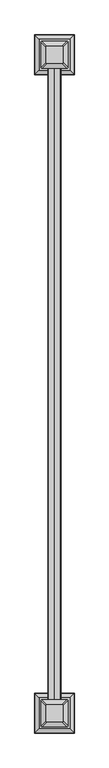
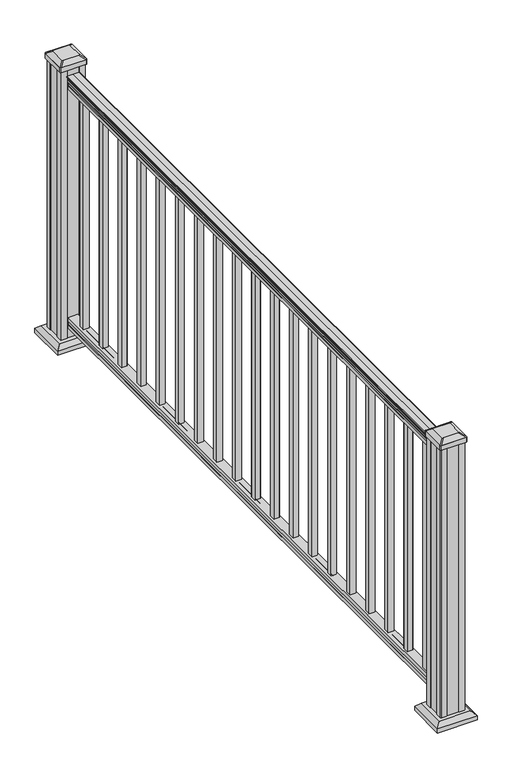
"""IFC4 building model written with IfcOpenShell, lengths in millimetres: railing geometry."""

from ifc_helpers import new_model, si_unit, point, frame, frame_2d, origin, origin_with_axes, place, context, project, spatial, polyline, circle_curve, trimmed, segment, composite_curve, outline, extrude, faceted_brep, source, transform, mapped, element, save
from ifc_brep_helpers import plane_surface, extruded_surface, advanced_brep


def railing_6f81d556(model_context):
    return source(origin(), model_context, "Body", "SolidModel", [
        extrude(outline(composite_curve([segment(trimmed(circle_curve(frame_2d((938.4043297, 343.6427824)), 1.2869144), [point((938.4043297, 342.3558681))], [point((938.4043297, 344.9296968))], False, "CARTESIAN"), True, "CONTINUOUS"), segment(polyline([(938.4043297, 344.9296968), (927.747013, 344.9296968), (926.731013, 343.9136968), (914.4, 343.9136968), (914.4, 375.6636968), (926.8888283, 375.6636968), (927.9048283, 374.6476968), (938.4043297, 374.6476968)]), True, "CONTINUOUS"), segment(trimmed(circle_curve(frame_2d((938.4043297, 375.9346112)), 1.2869144), [point((938.4043297, 374.6476968))], [point((938.4043297, 377.2215255))], False, "CARTESIAN"), True, "CONTINUOUS"), segment(polyline([(938.4043297, 377.2215255), (940.292412, 377.2215255)]), True, "CONTINUOUS"), segment(trimmed(circle_curve(frame_2d((946.0506383, 370.9067723)), 8.545951), [point((940.292412, 377.2215255))], [point((941.8546695, 378.3517118))], False, "CARTESIAN"), True, "CONTINUOUS"), segment(trimmed(circle_curve(frame_2d((945.4636577, 371.3438352)), 7.882584), [point((941.8546695, 378.3517118))], [point((949.0726458, 378.3517118))], False, "CARTESIAN"), True, "CONTINUOUS"), segment(trimmed(circle_curve(frame_2d((951.3112527, 381.8571594)), 4.1592695), [point((949.0726458, 378.3517118))], [point((951.5060812, 377.7024554))], True, "CARTESIAN"), True, "CONTINUOUS"), segment(trimmed(circle_curve(frame_2d((951.2508864, 383.1444659)), 5.4479907), [point((951.5060812, 377.7024554))], [point((955.8362083, 380.2024554))], True, "CARTESIAN"), True, "CONTINUOUS"), segment(trimmed(circle_curve(frame_2d((955.833395, 381.9113075)), 1.7088543), [point((955.8362083, 380.2024554))], [point((957.5157972, 381.6117979))], True, "CARTESIAN"), True, "CONTINUOUS"), segment(trimmed(circle_curve(frame_2d((958.6205318, 380.2944074)), 1.7192895), [point((957.5157972, 381.6117979))], [point((958.6205318, 382.0136969))], False, "CARTESIAN"), True, "CONTINUOUS"), segment(polyline([(958.6205318, 382.0136969), (959.9608158, 382.0136968)]), True, "CONTINUOUS"), segment(trimmed(circle_curve(frame_2d((959.9608158, 380.4602496)), 1.5534472), [point((959.9608158, 382.0136968))], [point((961.514263, 380.4602496))], False, "CARTESIAN"), True, "CONTINUOUS"), segment(polyline([(961.514263, 380.4602496), (961.514263, 359.7886968), (961.514263, 339.117144)]), True, "CONTINUOUS"), segment(trimmed(circle_curve(frame_2d((959.9608158, 339.117144)), 1.5534472), [point((961.514263, 339.117144))], [point((959.9608158, 337.5636968))], False, "CARTESIAN"), True, "CONTINUOUS"), segment(polyline([(959.9608158, 337.5636968), (958.6205318, 337.5636968)]), True, "CONTINUOUS"), segment(trimmed(circle_curve(frame_2d((958.6205318, 339.2829862)), 1.7192895), [point((958.6205318, 337.5636968))], [point((957.5157972, 337.9655957))], False, "CARTESIAN"), True, "CONTINUOUS"), segment(trimmed(circle_curve(frame_2d((955.833395, 337.6660861)), 1.7088543), [point((957.5157972, 337.9655957))], [point((955.8362083, 339.3749382))], True, "CARTESIAN"), True, "CONTINUOUS"), segment(trimmed(circle_curve(frame_2d((951.2508864, 336.4329277)), 5.4479907), [point((955.8362083, 339.3749382))], [point((951.5060812, 341.8749382))], True, "CARTESIAN"), True, "CONTINUOUS"), segment(trimmed(circle_curve(frame_2d((951.3112527, 337.7202343)), 4.1592695), [point((951.5060812, 341.8749382))], [point((949.0726458, 341.2256818))], True, "CARTESIAN"), True, "CONTINUOUS"), segment(trimmed(circle_curve(frame_2d((945.4636577, 348.2335584)), 7.882584), [point((949.0726458, 341.2256818))], [point((941.8546695, 341.2256818))], False, "CARTESIAN"), True, "CONTINUOUS"), segment(trimmed(circle_curve(frame_2d((946.0506383, 348.6706214)), 8.545951), [point((941.8546695, 341.2256818))], [point((940.292412, 342.3558681))], False, "CARTESIAN"), True, "CONTINUOUS"), segment(polyline([(940.292412, 342.3558681), (938.4043297, 342.3558681)]), True, "CONTINUOUS")], self_intersect=False)), frame((0.0, 2144.3647067, 0.0), z_axis=(0.0, 1.0, 0.0), x_axis=(0.0, 0.0, 1.0)), (0.0, 0.0, 1.0), 2133.6),
        extrude(outline(polyline([(76.0541976, 343.8762099), (63.5, 343.8762099), (63.5, 375.6262099), (76.0375508, 375.6262099), (77.3858283, 374.6102099), (87.6975248, 374.6102099), (89.0458024, 375.6262099), (101.5958781, 375.6262099), (101.5958781, 343.8762099), (89.0624492, 343.8762099), (87.7141717, 344.8922099), (77.3546183, 344.8922099), (76.0541976, 343.8762099)])), frame((0.0, 2144.3647067, 0.0), z_axis=(0.0, 1.0, 0.0), x_axis=(0.0, 0.0, 1.0)), (0.0, 0.0, 1.0), 2133.6),
        extrude(outline(polyline([(350.2636968, 4201.7647067), (350.2636968, 4220.8147067), (369.3136968, 4220.8147067), (369.3136968, 4201.7647067), (350.2636968, 4201.7647067)]), holes=[polyline([(350.6605718, 4202.1615817), (368.9168218, 4202.1615817), (368.9168218, 4220.4178317), (350.6605718, 4220.4178317), (350.6605718, 4202.1615817)])]), frame((0.0, 0.0, 101.5958781), z_axis=(0.0, 0.0, 1.0), x_axis=(1.0, 0.0, 0.0)), (0.0, 0.0, 1.0), 812.8041219),
        extrude(outline(polyline([(350.2636968, 4090.6397067), (350.2636968, 4109.6897067), (369.3136968, 4109.6897067), (369.3136968, 4090.6397067), (350.2636968, 4090.6397067)]), holes=[polyline([(350.6605718, 4091.0365817), (368.9168218, 4091.0365817), (368.9168218, 4109.2928317), (350.6605718, 4109.2928317), (350.6605718, 4091.0365817)])]), frame((0.0, 0.0, 101.5958781), z_axis=(0.0, 0.0, 1.0), x_axis=(1.0, 0.0, 0.0)), (0.0, 0.0, 1.0), 812.8041219),
        extrude(outline(polyline([(350.2636968, 3979.5147067), (350.2636968, 3998.5647067), (369.3136968, 3998.5647067), (369.3136968, 3979.5147067), (350.2636968, 3979.5147067)]), holes=[polyline([(350.6605718, 3979.9115817), (368.9168218, 3979.9115817), (368.9168218, 3998.1678317), (350.6605718, 3998.1678317), (350.6605718, 3979.9115817)])]), frame((0.0, 0.0, 101.5958781), z_axis=(0.0, 0.0, 1.0), x_axis=(1.0, 0.0, 0.0)), (0.0, 0.0, 1.0), 812.8041219),
        extrude(outline(polyline([(350.2636968, 3868.3897067), (350.2636968, 3887.4397067), (369.3136968, 3887.4397067), (369.3136968, 3868.3897067), (350.2636968, 3868.3897067)]), holes=[polyline([(350.6605718, 3868.7865817), (368.9168218, 3868.7865817), (368.9168218, 3887.0428317), (350.6605718, 3887.0428317), (350.6605718, 3868.7865817)])]), frame((0.0, 0.0, 101.5958781), z_axis=(0.0, 0.0, 1.0), x_axis=(1.0, 0.0, 0.0)), (0.0, 0.0, 1.0), 812.8041219),
        extrude(outline(polyline([(350.2636968, 3757.2647067), (350.2636968, 3776.3147067), (369.3136968, 3776.3147067), (369.3136968, 3757.2647067), (350.2636968, 3757.2647067)]), holes=[polyline([(350.6605718, 3757.6615817), (368.9168218, 3757.6615817), (368.9168218, 3775.9178317), (350.6605718, 3775.9178317), (350.6605718, 3757.6615817)])]), frame((0.0, 0.0, 101.5958781), z_axis=(0.0, 0.0, 1.0), x_axis=(1.0, 0.0, 0.0)), (0.0, 0.0, 1.0), 812.8041219),
        extrude(outline(polyline([(350.2636968, 3646.1397067), (350.2636968, 3665.1897067), (369.3136968, 3665.1897067), (369.3136968, 3646.1397067), (350.2636968, 3646.1397067)]), holes=[polyline([(350.6605718, 3646.5365817), (368.9168218, 3646.5365817), (368.9168218, 3664.7928317), (350.6605718, 3664.7928317), (350.6605718, 3646.5365817)])]), frame((0.0, 0.0, 101.5958781), z_axis=(0.0, 0.0, 1.0), x_axis=(1.0, 0.0, 0.0)), (0.0, 0.0, 1.0), 812.8041219),
        extrude(outline(polyline([(350.2636968, 3535.0147067), (350.2636968, 3554.0647067), (369.3136968, 3554.0647067), (369.3136968, 3535.0147067), (350.2636968, 3535.0147067)]), holes=[polyline([(350.6605718, 3535.4115817), (368.9168218, 3535.4115817), (368.9168218, 3553.6678317), (350.6605718, 3553.6678317), (350.6605718, 3535.4115817)])]), frame((0.0, 0.0, 101.5958781), z_axis=(0.0, 0.0, 1.0), x_axis=(1.0, 0.0, 0.0)), (0.0, 0.0, 1.0), 812.8041219),
        extrude(outline(polyline([(350.2636968, 3423.8897067), (350.2636968, 3442.9397067), (369.3136968, 3442.9397067), (369.3136968, 3423.8897067), (350.2636968, 3423.8897067)]), holes=[polyline([(350.6605718, 3424.2865817), (368.9168218, 3424.2865817), (368.9168218, 3442.5428317), (350.6605718, 3442.5428317), (350.6605718, 3424.2865817)])]), frame((0.0, 0.0, 101.5958781), z_axis=(0.0, 0.0, 1.0), x_axis=(1.0, 0.0, 0.0)), (0.0, 0.0, 1.0), 812.8041219),
        extrude(outline(polyline([(350.2636968, 3312.7647067), (350.2636968, 3331.8147067), (369.3136968, 3331.8147067), (369.3136968, 3312.7647067), (350.2636968, 3312.7647067)]), holes=[polyline([(350.6605718, 3313.1615817), (368.9168218, 3313.1615817), (368.9168218, 3331.4178317), (350.6605718, 3331.4178317), (350.6605718, 3313.1615817)])]), frame((0.0, 0.0, 101.5958781), z_axis=(0.0, 0.0, 1.0), x_axis=(1.0, 0.0, 0.0)), (0.0, 0.0, 1.0), 812.8041219),
        extrude(outline(polyline([(350.2636968, 3201.6397067), (350.2636968, 3220.6897067), (369.3136968, 3220.6897067), (369.3136968, 3201.6397067), (350.2636968, 3201.6397067)]), holes=[polyline([(350.6605718, 3202.0365817), (368.9168218, 3202.0365817), (368.9168218, 3220.2928317), (350.6605718, 3220.2928317), (350.6605718, 3202.0365817)])]), frame((0.0, 0.0, 101.5958781), z_axis=(0.0, 0.0, 1.0), x_axis=(1.0, 0.0, 0.0)), (0.0, 0.0, 1.0), 812.8041219),
        extrude(outline(polyline([(350.2636968, 3090.5147067), (350.2636968, 3109.5647067), (369.3136968, 3109.5647067), (369.3136968, 3090.5147067), (350.2636968, 3090.5147067)]), holes=[polyline([(350.6605718, 3090.9115817), (368.9168218, 3090.9115817), (368.9168218, 3109.1678317), (350.6605718, 3109.1678317), (350.6605718, 3090.9115817)])]), frame((0.0, 0.0, 101.5958781), z_axis=(0.0, 0.0, 1.0), x_axis=(1.0, 0.0, 0.0)), (0.0, 0.0, 1.0), 812.8041219),
        extrude(outline(polyline([(350.2636968, 2979.3897067), (350.2636968, 2998.4397067), (369.3136968, 2998.4397067), (369.3136968, 2979.3897067), (350.2636968, 2979.3897067)]), holes=[polyline([(350.6605718, 2979.7865817), (368.9168218, 2979.7865817), (368.9168218, 2998.0428317), (350.6605718, 2998.0428317), (350.6605718, 2979.7865817)])]), frame((0.0, 0.0, 101.5958781), z_axis=(0.0, 0.0, 1.0), x_axis=(1.0, 0.0, 0.0)), (0.0, 0.0, 1.0), 812.8041219),
        extrude(outline(polyline([(350.2636968, 2868.2647067), (350.2636968, 2887.3147067), (369.3136968, 2887.3147067), (369.3136968, 2868.2647067), (350.2636968, 2868.2647067)]), holes=[polyline([(350.6605718, 2868.6615817), (368.9168218, 2868.6615817), (368.9168218, 2886.9178317), (350.6605718, 2886.9178317), (350.6605718, 2868.6615817)])]), frame((0.0, 0.0, 101.5958781), z_axis=(0.0, 0.0, 1.0), x_axis=(1.0, 0.0, 0.0)), (0.0, 0.0, 1.0), 812.8041219),
        extrude(outline(polyline([(350.2636968, 2757.1397067), (350.2636968, 2776.1897067), (369.3136968, 2776.1897067), (369.3136968, 2757.1397067), (350.2636968, 2757.1397067)]), holes=[polyline([(350.6605718, 2757.5365817), (368.9168218, 2757.5365817), (368.9168218, 2775.7928317), (350.6605718, 2775.7928317), (350.6605718, 2757.5365817)])]), frame((0.0, 0.0, 101.5958781), z_axis=(0.0, 0.0, 1.0), x_axis=(1.0, 0.0, 0.0)), (0.0, 0.0, 1.0), 812.8041219),
        extrude(outline(polyline([(350.2636968, 2646.0147067), (350.2636968, 2665.0647067), (369.3136968, 2665.0647067), (369.3136968, 2646.0147067), (350.2636968, 2646.0147067)]), holes=[polyline([(350.6605718, 2646.4115817), (368.9168218, 2646.4115817), (368.9168218, 2664.6678317), (350.6605718, 2664.6678317), (350.6605718, 2646.4115817)])]), frame((0.0, 0.0, 101.5958781), z_axis=(0.0, 0.0, 1.0), x_axis=(1.0, 0.0, 0.0)), (0.0, 0.0, 1.0), 812.8041219),
        extrude(outline(polyline([(350.2636968, 2534.8897067), (350.2636968, 2553.9397067), (369.3136968, 2553.9397067), (369.3136968, 2534.8897067), (350.2636968, 2534.8897067)]), holes=[polyline([(350.6605718, 2535.2865817), (368.9168218, 2535.2865817), (368.9168218, 2553.5428317), (350.6605718, 2553.5428317), (350.6605718, 2535.2865817)])]), frame((0.0, 0.0, 101.5958781), z_axis=(0.0, 0.0, 1.0), x_axis=(1.0, 0.0, 0.0)), (0.0, 0.0, 1.0), 812.8041219),
        extrude(outline(polyline([(350.2636968, 2423.7647067), (350.2636968, 2442.8147067), (369.3136968, 2442.8147067), (369.3136968, 2423.7647067), (350.2636968, 2423.7647067)]), holes=[polyline([(350.6605718, 2424.1615817), (368.9168218, 2424.1615817), (368.9168218, 2442.4178317), (350.6605718, 2442.4178317), (350.6605718, 2424.1615817)])]), frame((0.0, 0.0, 101.5958781), z_axis=(0.0, 0.0, 1.0), x_axis=(1.0, 0.0, 0.0)), (0.0, 0.0, 1.0), 812.8041219),
        extrude(outline(polyline([(350.2636968, 2312.6397067), (350.2636968, 2331.6897067), (369.3136968, 2331.6897067), (369.3136968, 2312.6397067), (350.2636968, 2312.6397067)]), holes=[polyline([(350.6605718, 2313.0365817), (368.9168218, 2313.0365817), (368.9168218, 2331.2928317), (350.6605718, 2331.2928317), (350.6605718, 2313.0365817)])]), frame((0.0, 0.0, 101.5958781), z_axis=(0.0, 0.0, 1.0), x_axis=(1.0, 0.0, 0.0)), (0.0, 0.0, 1.0), 812.8041219),
        extrude(outline(polyline([(350.2636968, 2201.5147067), (350.2636968, 2220.5647067), (369.3136968, 2220.5647067), (369.3136968, 2201.5147067), (350.2636968, 2201.5147067)]), holes=[polyline([(350.6605718, 2201.9115817), (368.9168218, 2201.9115817), (368.9168218, 2220.1678317), (350.6605718, 2220.1678317), (350.6605718, 2201.9115817)])]), frame((0.0, 0.0, 101.5958781), z_axis=(0.0, 0.0, 1.0), x_axis=(1.0, 0.0, 0.0)), (0.0, 0.0, 1.0), 812.8041219),
        faceted_brep([(307.2027593, 4266.6537692, 28.575), (412.3746343, 4266.6537692, 28.575), (412.3746343, 4371.8256442, 28.575), (307.2027593, 4371.8256442, 28.575), (293.1633062, 4252.6143161, 15.24), (293.1633062, 4385.8650974, 15.24), (426.4140874, 4385.8650974, 15.24), (426.4140874, 4252.6143161, 15.24)], [[[0, 1, 2, 3]], [[4, 5, 6, 7]], [[4, 7, 1, 0]], [[7, 6, 2, 1]], [[6, 5, 3, 2]], [[5, 4, 0, 3]]]),
        extrude(outline(polyline([(293.1633062, 4252.6143161), (293.1633062, 4385.8650974), (426.4140874, 4385.8650974), (426.4140874, 4252.6143161), (293.1633062, 4252.6143161)])), origin_with_axes(), (0.0, 0.0, 1.0), 15.24),
        advanced_brep(
        [(385.5855718, 4290.2678317, 1012.825), (388.7605718, 4293.4428317, 1012.825), (388.7605718, 4345.0365817, 1012.825), (385.5855718, 4348.2115817, 1012.825), (333.9918218, 4348.2115817, 1012.825), (330.8168218, 4345.0365817, 1012.825), (330.8168218, 4293.4428317, 1012.825), (333.9918218, 4290.2678317, 1012.825), (401.8574468, 4273.9959567, 1001.522), (317.7199468, 4273.9959567, 1001.522), (314.5449468, 4277.1709567, 1001.522), (314.5449468, 4361.3084567, 1001.522), (317.7199468, 4364.4834567, 1001.522), (401.8574468, 4364.4834567, 1001.522), (405.0324468, 4361.3084567, 1001.522), (405.0324468, 4277.1709567, 1001.522)],
        [
            (0, 1, circle_curve(frame((385.5855718, 4293.4428317, 1012.825), z_axis=(0.0, 0.0, 1.0), x_axis=(0.0, 1.0, 0.0)), 3.175)),
            (1, 2),
            (2, 3, circle_curve(frame((385.5855718, 4345.0365817, 1012.825), z_axis=(0.0, 0.0, 1.0), x_axis=(0.0, 1.0, 0.0)), 3.175)),
            (3, 4),
            (4, 5, circle_curve(frame((333.9918218, 4345.0365817, 1012.825), z_axis=(0.0, 0.0, 1.0), x_axis=(0.0, 1.0, 0.0)), 3.175)),
            (5, 6),
            (6, 7, circle_curve(frame((333.9918218, 4293.4428317, 1012.825), z_axis=(0.0, 0.0, 1.0), x_axis=(0.0, 1.0, 0.0)), 3.175)),
            (7, 0),
            (8, 9),
            (9, 10, circle_curve(frame((317.7199468, 4277.1709567, 1001.522), z_axis=(0.0, 0.0, -1.0), x_axis=(0.0, 1.0, 0.0)), 3.175)),
            (10, 11),
            (11, 12, circle_curve(frame((317.7199468, 4361.3084567, 1001.522), z_axis=(0.0, 0.0, -1.0), x_axis=(0.0, 1.0, 0.0)), 3.175)),
            (12, 13),
            (13, 14, circle_curve(frame((401.8574468, 4361.3084567, 1001.522), z_axis=(0.0, 0.0, -1.0), x_axis=(0.0, 1.0, 0.0)), 3.175)),
            (14, 15),
            (15, 8, circle_curve(frame((401.8574468, 4277.1709567, 1001.522), z_axis=(0.0, 0.0, -1.0), x_axis=(0.0, 1.0, 0.0)), 3.175)),
            (15, 1),
            (0, 8),
            (14, 2),
            (13, 3),
            (12, 4),
            (11, 5),
            (10, 6),
            (9, 7),
        ],
        [
            plane_surface(frame((359.7886968, 4319.2397067, 1012.825), z_axis=(0.0, 0.0, 1.0), x_axis=(1.0, 0.0, 0.0))),
            plane_surface(frame((359.7886968, 4319.2397067, 1001.522), z_axis=(0.0, 0.0, -1.0), x_axis=(1.0, 0.0, 0.0))),
            extruded_surface(trimmed(circle_curve(frame((401.8574468, 4277.1709567, 1001.522), z_axis=(0.0, 0.0, 1.0), x_axis=(0.0, 1.0, 0.0)), 3.175), [point((401.8574468, 4273.9959567, 1001.522))], [point((405.0324468, 4277.1709567, 1001.522))], True, "CARTESIAN"), (-16.271874999999966, 16.271875000000364, 11.302999999999997), 25.63797263886637),
            plane_surface(frame((405.0324468, 4319.2397067, 1001.522), z_axis=(0.5705009161540779, 0.0, 0.8212969649690408), x_axis=(0.0, 1.0, 0.0))),
            extruded_surface(trimmed(circle_curve(frame((401.8574468, 4361.3084567, 1001.522), z_axis=(0.0, 0.0, 1.0), x_axis=(0.0, 1.0, 0.0)), 3.175), [point((405.0324468, 4361.3084567, 1001.522))], [point((401.8574468, 4364.4834567, 1001.522))], True, "CARTESIAN"), (-16.271874999999966, -16.271874999999454, 11.302999999999997), 25.637972638865794),
            plane_surface(frame((359.7886968, 4364.4834567, 1001.522), z_axis=(0.0, 0.5705009161540291, 0.8212969649690747), x_axis=(-1.0, 0.0, 0.0))),
            extruded_surface(trimmed(circle_curve(frame((317.7199468, 4361.3084567, 1001.522), z_axis=(0.0, 0.0, 1.0), x_axis=(0.0, 1.0, 0.0)), 3.175), [point((317.7199468, 4364.4834567, 1001.522))], [point((314.5449468, 4361.3084567, 1001.522))], True, "CARTESIAN"), (16.271875000000023, -16.271874999999454, 11.302999999999997), 25.63797263886583),
            plane_surface(frame((314.5449468, 4319.2397067, 1001.522), z_axis=(-0.5705009161540141, 0.0, 0.8212969649690851), x_axis=(0.0, -1.0, 0.0))),
            extruded_surface(trimmed(circle_curve(frame((317.7199468, 4277.1709567, 1001.522), z_axis=(0.0, 0.0, 1.0), x_axis=(0.0, 1.0, 0.0)), 3.175), [point((314.5449468, 4277.1709567, 1001.522))], [point((317.7199468, 4273.9959567, 1001.522))], True, "CARTESIAN"), (16.271875000000023, 16.271875000000364, 11.302999999999997), 25.637972638866405),
            plane_surface(frame((359.7886968, 4273.9959567, 1001.522), z_axis=(0.0, -0.570500916154034, 0.8212969649690713), x_axis=(1.0, 0.0, 0.0))),
        ],
        [
            (0, [[1, 2, 3, 4, 5, 6, 7, 8]]),
            (1, [[9, 10, 11, 12, 13, 14, 15, 16]]),
            (2, [[-16, 17, -1, 18]]),
            (3, [[-15, 19, -2, -17]]),
            (4, [[-14, 20, -3, -19]]),
            (5, [[-13, 21, -4, -20]]),
            (6, [[-12, 22, -5, -21]]),
            (7, [[-11, 23, -6, -22]]),
            (8, [[-10, 24, -7, -23]]),
            (9, [[-9, -18, -8, -24]]),
        ],
    ),
        extrude(outline(composite_curve([segment(polyline([(401.8574468, 4273.9959567), (317.7199468, 4273.9959567)]), True, "CONTINUOUS"), segment(trimmed(circle_curve(frame_2d((317.7199468, 4277.1709567)), 3.175), [point((317.7199468, 4273.9959567))], [point((314.5449468, 4277.1709567))], False, "CARTESIAN"), True, "CONTINUOUS"), segment(polyline([(314.5449468, 4277.1709567), (314.5449468, 4361.3084567)]), True, "CONTINUOUS"), segment(trimmed(circle_curve(frame_2d((317.7199468, 4361.3084567)), 3.175), [point((314.5449468, 4361.3084567))], [point((317.7199468, 4364.4834567))], False, "CARTESIAN"), True, "CONTINUOUS"), segment(polyline([(317.7199468, 4364.4834567), (401.8574468, 4364.4834567)]), True, "CONTINUOUS"), segment(trimmed(circle_curve(frame_2d((401.8574468, 4361.3084567)), 3.175), [point((401.8574468, 4364.4834567))], [point((405.0324468, 4361.3084567))], False, "CARTESIAN"), True, "CONTINUOUS"), segment(polyline([(405.0324468, 4361.3084567), (405.0324468, 4277.1709567)]), True, "CONTINUOUS"), segment(trimmed(circle_curve(frame_2d((401.8574468, 4277.1709567)), 3.175), [point((405.0324468, 4277.1709567))], [point((401.8574468, 4273.9959567))], False, "CARTESIAN"), True, "CONTINUOUS")], self_intersect=False)), frame((0.0, 0.0, 984.25), z_axis=(0.0, 0.0, 1.0), x_axis=(1.0, 0.0, 0.0)), (0.0, 0.0, 1.0), 17.272),
        extrude(outline(polyline([(399.4761968, 4277.9647067), (379.8546968, 4277.9647067), (379.0926968, 4279.5522067), (340.4846968, 4279.5522067), (339.7226968, 4277.9647067), (320.1011968, 4277.9647067), (318.5136968, 4279.5522067), (318.5136968, 4299.1737067), (320.1011968, 4299.9357067), (320.1011968, 4338.5437067), (318.5136968, 4339.3057067), (318.5136968, 4358.9272067), (320.1011968, 4360.5147067), (339.7226968, 4360.5147067), (340.4846968, 4358.9272067), (379.0926968, 4358.9272067), (379.8546968, 4360.5147067), (399.4761968, 4360.5147067), (401.0636968, 4358.9272067), (401.0636968, 4339.3057067), (399.4761968, 4338.5437067), (399.4761968, 4299.9357067), (401.0636968, 4299.1737067), (401.0636968, 4279.5522067), (399.4761968, 4277.9647067)])), origin_with_axes(), (0.0, 0.0, 1.0), 984.25),
        faceted_brep([(307.2027593, 2050.5037692, 28.575), (412.3746343, 2050.5037692, 28.575), (412.3746343, 2155.6756442, 28.575), (307.2027593, 2155.6756442, 28.575), (293.1633062, 2036.4643161, 15.24), (293.1633062, 2169.7150974, 15.24), (426.4140874, 2169.7150974, 15.24), (426.4140874, 2036.4643161, 15.24)], [[[0, 1, 2, 3]], [[4, 5, 6, 7]], [[4, 7, 1, 0]], [[7, 6, 2, 1]], [[6, 5, 3, 2]], [[5, 4, 0, 3]]]),
        extrude(outline(polyline([(293.1633062, 2036.4643161), (293.1633062, 2169.7150974), (426.4140874, 2169.7150974), (426.4140874, 2036.4643161), (293.1633062, 2036.4643161)])), origin_with_axes(), (0.0, 0.0, 1.0), 15.24),
        advanced_brep(
        [(385.5855718, 2074.1178317, 1012.825), (388.7605718, 2077.2928317, 1012.825), (388.7605718, 2128.8865817, 1012.825), (385.5855718, 2132.0615817, 1012.825), (333.9918218, 2132.0615817, 1012.825), (330.8168218, 2128.8865817, 1012.825), (330.8168218, 2077.2928317, 1012.825), (333.9918218, 2074.1178317, 1012.825), (401.8574468, 2057.8459567, 1001.522), (317.7199468, 2057.8459567, 1001.522), (314.5449468, 2061.0209567, 1001.522), (314.5449468, 2145.1584567, 1001.522), (317.7199468, 2148.3334567, 1001.522), (401.8574468, 2148.3334567, 1001.522), (405.0324468, 2145.1584567, 1001.522), (405.0324468, 2061.0209567, 1001.522)],
        [
            (0, 1, circle_curve(frame((385.5855718, 2077.2928317, 1012.825), z_axis=(0.0, 0.0, 1.0), x_axis=(0.0, 1.0, 0.0)), 3.175)),
            (1, 2),
            (2, 3, circle_curve(frame((385.5855718, 2128.8865817, 1012.825), z_axis=(0.0, 0.0, 1.0), x_axis=(0.0, 1.0, 0.0)), 3.175)),
            (3, 4),
            (4, 5, circle_curve(frame((333.9918218, 2128.8865817, 1012.825), z_axis=(0.0, 0.0, 1.0), x_axis=(0.0, 1.0, 0.0)), 3.175)),
            (5, 6),
            (6, 7, circle_curve(frame((333.9918218, 2077.2928317, 1012.825), z_axis=(0.0, 0.0, 1.0), x_axis=(0.0, 1.0, 0.0)), 3.175)),
            (7, 0),
            (8, 9),
            (9, 10, circle_curve(frame((317.7199468, 2061.0209567, 1001.522), z_axis=(0.0, 0.0, -1.0), x_axis=(0.0, 1.0, 0.0)), 3.175)),
            (10, 11),
            (11, 12, circle_curve(frame((317.7199468, 2145.1584567, 1001.522), z_axis=(0.0, 0.0, -1.0), x_axis=(0.0, 1.0, 0.0)), 3.175)),
            (12, 13),
            (13, 14, circle_curve(frame((401.8574468, 2145.1584567, 1001.522), z_axis=(0.0, 0.0, -1.0), x_axis=(0.0, 1.0, 0.0)), 3.175)),
            (14, 15),
            (15, 8, circle_curve(frame((401.8574468, 2061.0209567, 1001.522), z_axis=(0.0, 0.0, -1.0), x_axis=(0.0, 1.0, 0.0)), 3.175)),
            (15, 1),
            (0, 8),
            (14, 2),
            (13, 3),
            (12, 4),
            (11, 5),
            (10, 6),
            (9, 7),
        ],
        [
            plane_surface(frame((359.7886968, 2103.0897067, 1012.825), z_axis=(0.0, 0.0, 1.0), x_axis=(1.0, 0.0, 0.0))),
            plane_surface(frame((359.7886968, 2103.0897067, 1001.522), z_axis=(0.0, 0.0, -1.0), x_axis=(1.0, 0.0, 0.0))),
            extruded_surface(trimmed(circle_curve(frame((401.8574468, 2061.0209567, 1001.522), z_axis=(0.0, 0.0, 1.0), x_axis=(0.0, 1.0, 0.0)), 3.175), [point((401.8574468, 2057.8459567, 1001.522))], [point((405.0324468, 2061.0209567, 1001.522))], True, "CARTESIAN"), (-16.271874999999966, 16.27187499999991, 11.302999999999997), 25.63797263886608),
            plane_surface(frame((405.0324468, 2103.0897067, 1001.522), z_axis=(0.5705009161540779, 0.0, 0.8212969649690408), x_axis=(0.0, 1.0, 0.0))),
            extruded_surface(trimmed(circle_curve(frame((401.8574468, 2145.1584567, 1001.522), z_axis=(0.0, 0.0, 1.0), x_axis=(0.0, 1.0, 0.0)), 3.175), [point((405.0324468, 2145.1584567, 1001.522))], [point((401.8574468, 2148.3334567, 1001.522))], True, "CARTESIAN"), (-16.271874999999966, -16.27187499999991, 11.302999999999997), 25.63797263886608),
            plane_surface(frame((359.7886968, 2148.3334567, 1001.522), z_axis=(0.0, 0.5705009161540291, 0.8212969649690747), x_axis=(-1.0, 0.0, 0.0))),
            extruded_surface(trimmed(circle_curve(frame((317.7199468, 2145.1584567, 1001.522), z_axis=(0.0, 0.0, 1.0), x_axis=(0.0, 1.0, 0.0)), 3.175), [point((317.7199468, 2148.3334567, 1001.522))], [point((314.5449468, 2145.1584567, 1001.522))], True, "CARTESIAN"), (16.271875000000023, -16.27187499999991, 11.302999999999997), 25.637972638866117),
            plane_surface(frame((314.5449468, 2103.0897067, 1001.522), z_axis=(-0.5705009161540141, 0.0, 0.8212969649690851), x_axis=(0.0, -1.0, 0.0))),
            extruded_surface(trimmed(circle_curve(frame((317.7199468, 2061.0209567, 1001.522), z_axis=(0.0, 0.0, 1.0), x_axis=(0.0, 1.0, 0.0)), 3.175), [point((314.5449468, 2061.0209567, 1001.522))], [point((317.7199468, 2057.8459567, 1001.522))], True, "CARTESIAN"), (16.271875000000023, 16.27187499999991, 11.302999999999997), 25.637972638866117),
            plane_surface(frame((359.7886968, 2057.8459567, 1001.522), z_axis=(0.0, -0.570500916154034, 0.8212969649690713), x_axis=(1.0, 0.0, 0.0))),
        ],
        [
            (0, [[1, 2, 3, 4, 5, 6, 7, 8]]),
            (1, [[9, 10, 11, 12, 13, 14, 15, 16]]),
            (2, [[-16, 17, -1, 18]]),
            (3, [[-15, 19, -2, -17]]),
            (4, [[-14, 20, -3, -19]]),
            (5, [[-13, 21, -4, -20]]),
            (6, [[-12, 22, -5, -21]]),
            (7, [[-11, 23, -6, -22]]),
            (8, [[-10, 24, -7, -23]]),
            (9, [[-9, -18, -8, -24]]),
        ],
    ),
        extrude(outline(composite_curve([segment(polyline([(401.8574468, 2057.8459567), (317.7199468, 2057.8459567)]), True, "CONTINUOUS"), segment(trimmed(circle_curve(frame_2d((317.7199468, 2061.0209567)), 3.175), [point((317.7199468, 2057.8459567))], [point((314.5449468, 2061.0209567))], False, "CARTESIAN"), True, "CONTINUOUS"), segment(polyline([(314.5449468, 2061.0209567), (314.5449468, 2145.1584567)]), True, "CONTINUOUS"), segment(trimmed(circle_curve(frame_2d((317.7199468, 2145.1584567)), 3.175), [point((314.5449468, 2145.1584567))], [point((317.7199468, 2148.3334567))], False, "CARTESIAN"), True, "CONTINUOUS"), segment(polyline([(317.7199468, 2148.3334567), (401.8574468, 2148.3334567)]), True, "CONTINUOUS"), segment(trimmed(circle_curve(frame_2d((401.8574468, 2145.1584567)), 3.175), [point((401.8574468, 2148.3334567))], [point((405.0324468, 2145.1584567))], False, "CARTESIAN"), True, "CONTINUOUS"), segment(polyline([(405.0324468, 2145.1584567), (405.0324468, 2061.0209567)]), True, "CONTINUOUS"), segment(trimmed(circle_curve(frame_2d((401.8574468, 2061.0209567)), 3.175), [point((405.0324468, 2061.0209567))], [point((401.8574468, 2057.8459567))], False, "CARTESIAN"), True, "CONTINUOUS")], self_intersect=False)), frame((0.0, 0.0, 984.25), z_axis=(0.0, 0.0, 1.0), x_axis=(1.0, 0.0, 0.0)), (0.0, 0.0, 1.0), 17.272),
        extrude(outline(polyline([(399.4761968, 2061.8147067), (379.8546968, 2061.8147067), (379.0926968, 2063.4022067), (340.4846968, 2063.4022067), (339.7226968, 2061.8147067), (320.1011968, 2061.8147067), (318.5136968, 2063.4022067), (318.5136968, 2083.0237067), (320.1011968, 2083.7857067), (320.1011968, 2122.3937067), (318.5136968, 2123.1557067), (318.5136968, 2142.7772067), (320.1011968, 2144.3647067), (339.7226968, 2144.3647067), (340.4846968, 2142.7772067), (379.0926968, 2142.7772067), (379.8546968, 2144.3647067), (399.4761968, 2144.3647067), (401.0636968, 2142.7772067), (401.0636968, 2123.1557067), (399.4761968, 2122.3937067), (399.4761968, 2083.7857067), (401.0636968, 2083.0237067), (401.0636968, 2063.4022067), (399.4761968, 2061.8147067)])), origin_with_axes(), (0.0, 0.0, 1.0), 984.25),
    ])


if __name__ == "__main__":
    model = new_model("IFC4")
    model_context = context("Model", 3, world=origin())
    ifc_project = project(units=[si_unit("LENGTHUNIT", "METRE", prefix="MILLI")], contexts=[model_context])
    site = spatial("IfcSite", under=ifc_project)
    building = spatial("IfcBuilding", under=site)
    placement = place(None, origin())
    railing_shape = railing_6f81d556(model_context)
    element("IfcRailing", 1, at=placement, inside=building, context=model_context, shape_type="MappedRepresentation", body=[
        mapped(railing_shape, transform((0.0, 0.0, 0.0), x_axis=(1.0, 0.0, 0.0), y_axis=(0.0, 1.0, 0.0), z_axis=(0.0, 0.0, 1.0))),
    ])
    save(model, "model.ifc")
